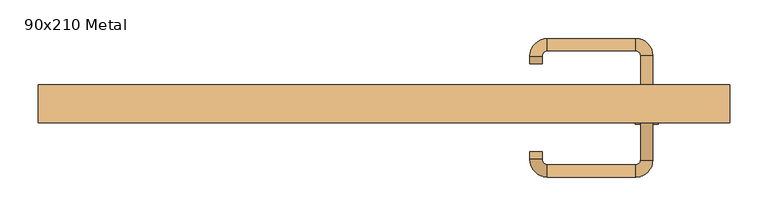
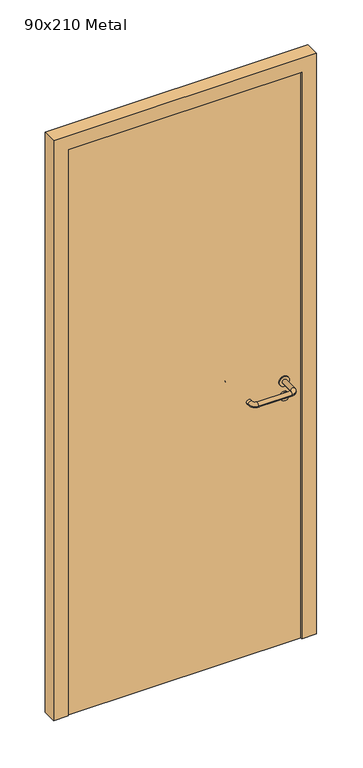
"""IFC4 building model written with IfcOpenShell, lengths in millimetres: door geometry, 90x210 Metal."""

from ifc_helpers import new_model, si_unit, point, frame, frame_2d, origin, origin_with_axes, place, context, project, spatial, polyline, circle_curve, ellipse_curve, trimmed, segment, composite_curve, outline, extrude, source, transform, mapped, element, save
from ifc_brep_helpers import plane_surface, cylinder_surface, revolved_surface, advanced_brep


def door_90x210_metal_8e73bc30(model_context):
    return source(origin(), model_context, "Body", "SolidModel", [
        extrude(outline(composite_curve([segment(trimmed(circle_curve(frame_2d((897.3605726, 342.0)), 15.0), [point((897.3605726, 357.0))], [point((897.3605726, 327.0))], False, "CARTESIAN"), True, "CONTINUOUS"), segment(trimmed(circle_curve(frame_2d((897.3605726, 342.0)), 15.0), [point((897.3605726, 327.0))], [point((897.3605726, 357.0))], False, "CARTESIAN"), True, "CONTINUOUS")], self_intersect=False), holes=[composite_curve([segment(trimmed(circle_curve(frame_2d((892.5833211, 341.9398032)), 2.0), [point((892.5833211, 343.9398032))], [point((892.5833211, 339.9398032))], True, "CARTESIAN"), True, "CONTINUOUS"), segment(polyline([(892.5833211, 339.9398032), (902.5833211, 339.9398032)]), True, "CONTINUOUS"), segment(trimmed(circle_curve(frame_2d((902.5833211, 341.9398032)), 2.0), [point((902.5833211, 339.9398032))], [point((902.5833211, 343.9398032))], True, "CARTESIAN"), True, "CONTINUOUS"), segment(polyline([(902.5833211, 343.9398032), (892.5833211, 343.9398032)]), True, "CONTINUOUS")], self_intersect=False)]), frame((0.0, -10.0, 0.0), z_axis=(0.0, 1.0, 0.0), x_axis=(0.0, 0.0, 1.0)), (0.0, 0.0, 1.0), 6.35),
        extrude(outline(composite_curve([segment(trimmed(circle_curve(frame_2d((950.0, 342.0)), 17.526), [point((950.0, 359.526))], [point((950.0, 324.474))], False, "CARTESIAN"), True, "CONTINUOUS"), segment(trimmed(circle_curve(frame_2d((950.0, 342.0)), 17.526), [point((950.0, 324.474))], [point((950.0, 359.526))], False, "CARTESIAN"), True, "CONTINUOUS")], self_intersect=False)), frame((0.0, -10.0, 0.0), z_axis=(0.0, 1.0, 0.0), x_axis=(0.0, 0.0, 1.0)), (0.0, 0.0, 1.0), 3.175),
        advanced_brep(
        [(350.0, -10.0, 950.0), (334.0, -10.0, 950.0), (350.0, 43.0, 950.0), (334.0, 43.0, 950.0), (327.8578644, 49.1421356, 950.0), (327.8578644, 65.1421356, 950.0), (212.8578644, 65.1421356, 950.0), (212.8578644, 49.1421356, 950.0), (206.008622, 42.2928932, 950.0), (190.008622, 42.2928932, 950.0), (190.008622, 32.2928932, 950.0), (206.008622, 32.2928932, 950.0)],
        [
            (0, 1, circle_curve(frame((342.0, -10.0, 950.0), z_axis=(0.0, -1.0, 0.0), x_axis=(-1.0, 0.0, 0.0)), 8.0)),
            (1, 0, circle_curve(frame((342.0, -10.0, 950.0), z_axis=(0.0, -1.0, 0.0), x_axis=(-1.0, 0.0, 0.0)), 8.0)),
            (0, 2),
            (2, 3, circle_curve(frame((342.0, 43.0, 950.0), z_axis=(0.0, -1.0, 0.0), x_axis=(-1.0, 0.0, 0.0)), 8.0)),
            (3, 1),
            (3, 2, circle_curve(frame((342.0, 43.0, 950.0), z_axis=(0.0, -1.0, 0.0), x_axis=(-1.0, 0.0, 0.0)), 8.0)),
            (4, 3, circle_curve(frame((327.8578644, 43.0, 950.0), z_axis=(0.0, 0.0, -1.0), x_axis=(1.0, 0.0, 0.0)), 6.1421356)),
            (2, 5, circle_curve(frame((327.8578644, 43.0, 950.0), z_axis=(0.0, 0.0, 1.0), x_axis=(1.0, 0.0, 0.0)), 22.1421356)),
            (5, 4, circle_curve(frame((327.8578644, 57.1421356, 950.0), z_axis=(1.0, 0.0, 0.0), x_axis=(0.0, -1.0, 0.0)), 8.0)),
            (4, 5, circle_curve(frame((327.8578644, 57.1421356, 950.0), z_axis=(1.0, 0.0, 0.0), x_axis=(0.0, -1.0, 0.0)), 8.0)),
            (5, 6),
            (6, 7, circle_curve(frame((212.8578644, 57.1421356, 950.0), z_axis=(1.0, 0.0, 0.0), x_axis=(0.0, -1.0, 0.0)), 8.0)),
            (7, 4),
            (7, 6, circle_curve(frame((212.8578644, 57.1421356, 950.0), z_axis=(1.0, 0.0, 0.0), x_axis=(0.0, -1.0, 0.0)), 8.0)),
            (8, 7, circle_curve(frame((212.8578644, 42.2928932, 950.0), z_axis=(0.0, 0.0, -1.0), x_axis=(0.0, 1.0, 0.0)), 6.8492424)),
            (6, 9, circle_curve(frame((212.8578644, 42.2928932, 950.0), z_axis=(0.0, 0.0, 1.0), x_axis=(0.0, 1.0, 0.0)), 22.8492424)),
            (9, 8, circle_curve(frame((198.008622, 42.2928932, 950.0), z_axis=(0.0, 1.0, 0.0), x_axis=(1.0, 0.0, 0.0)), 8.0)),
            (8, 9, circle_curve(frame((198.008622, 42.2928932, 950.0), z_axis=(0.0, 1.0, 0.0), x_axis=(1.0, 0.0, 0.0)), 8.0)),
            (10, 11, circle_curve(frame((198.008622, 32.2928932, 950.0), z_axis=(0.0, -1.0, 0.0), x_axis=(1.0, 0.0, 0.0)), 8.0)),
            (11, 10, circle_curve(frame((198.008622, 32.2928932, 950.0), z_axis=(0.0, -1.0, 0.0), x_axis=(1.0, 0.0, 0.0)), 8.0)),
            (9, 10),
            (11, 8),
        ],
        [
            plane_surface(frame((342.0, -10.0, 170.0), z_axis=(0.0, -1.0, 0.0), x_axis=(0.0, 0.0, 1.0))),
            cylinder_surface(frame((342.0, -10.0, 950.0), z_axis=(0.0, -1.0, 0.0), x_axis=(-1.0, 0.0, 0.0)), 8.0),
            revolved_surface(trimmed(ellipse_curve(frame((342.0, 43.0, 950.0), z_axis=(0.0, -1.0, 0.0), x_axis=(-1.0, 0.0, 0.0)), 8.0, 8.0), [point((350.0, 43.0, 950.0))], [point((334.0, 43.0, 950.0))], True, "CARTESIAN"), (327.8578644, 43.0, 170.0), (0.0, 0.0, 1.0)),
            revolved_surface(trimmed(ellipse_curve(frame((342.0, 43.0, 950.0), z_axis=(0.0, -1.0, 0.0), x_axis=(-1.0, 0.0, 0.0)), 8.0, 8.0), [point((334.0, 43.0, 950.0))], [point((350.0, 43.0, 950.0))], True, "CARTESIAN"), (327.8578644, 43.0, 170.0), (0.0, 0.0, 1.0)),
            cylinder_surface(frame((327.8578644, 57.1421356, 950.0), z_axis=(1.0, 0.0, 0.0), x_axis=(0.0, -1.0, 0.0)), 8.0),
            revolved_surface(trimmed(ellipse_curve(frame((212.8578644, 57.1421356, 950.0), z_axis=(1.0, 0.0, 0.0), x_axis=(0.0, -1.0, 0.0)), 8.0, 8.0), [point((212.8578644, 65.1421356, 950.0))], [point((212.8578644, 49.1421356, 950.0))], True, "CARTESIAN"), (212.8578644, 42.2928932, 170.0), (0.0, 0.0, 1.0)),
            revolved_surface(trimmed(ellipse_curve(frame((212.8578644, 57.1421356, 950.0), z_axis=(1.0, 0.0, 0.0), x_axis=(0.0, -1.0, 0.0)), 8.0, 8.0), [point((212.8578644, 49.1421356, 950.0))], [point((212.8578644, 65.1421356, 950.0))], True, "CARTESIAN"), (212.8578644, 42.2928932, 170.0), (0.0, 0.0, 1.0)),
            plane_surface(frame((198.008622, 32.2928932, 170.0), z_axis=(0.0, -1.0, 0.0), x_axis=(0.0, 0.0, 1.0))),
            cylinder_surface(frame((198.008622, 42.2928932, 950.0), z_axis=(0.0, 1.0, 0.0), x_axis=(1.0, 0.0, 0.0)), 8.0),
        ],
        [
            (0, [[1, 2]]),
            (1, [[-1, 3, 4, 5]]),
            (1, [[-2, -5, 6, -3]]),
            (2, [[7, -4, 8, 9]]),
            (3, [[-8, -6, -7, 10]]),
            (4, [[-9, 11, 12, 13]]),
            (4, [[-10, -13, 14, -11]]),
            (5, [[15, -12, 16, 17]]),
            (6, [[-16, -14, -15, 18]]),
            (7, [[19, 20]]),
            (8, [[-17, 21, -20, 22]]),
            (8, [[-18, -22, -19, -21]]),
        ],
    ),
        extrude(outline(composite_curve([segment(trimmed(circle_curve(frame_2d((0.0, 15.0)), 15.0), [point((0.0, 30.0))], [point((0.0, 0.0))], False, "CARTESIAN"), True, "CONTINUOUS"), segment(trimmed(circle_curve(frame_2d((0.0, 15.0)), 15.0), [point((0.0, 0.0))], [point((0.0, 30.0))], False, "CARTESIAN"), True, "CONTINUOUS")], self_intersect=False), holes=[composite_curve([segment(trimmed(circle_curve(frame_2d((-4.7772515, 14.9398032)), 2.0), [point((-4.7772515, 16.9398032))], [point((-4.7772515, 12.9398032))], True, "CARTESIAN"), True, "CONTINUOUS"), segment(polyline([(-4.7772515, 12.9398032), (5.2227485, 12.9398032)]), True, "CONTINUOUS"), segment(trimmed(circle_curve(frame_2d((5.2227485, 14.9398032)), 2.0), [point((5.2227485, 12.9398032))], [point((5.2227485, 16.9398032))], True, "CARTESIAN"), True, "CONTINUOUS"), segment(polyline([(5.2227485, 16.9398032), (-4.7772515, 16.9398032)]), True, "CONTINUOUS")], self_intersect=False)]), frame((327.0, -46.35, 897.3605726), z_axis=(-1.8870575173328306e-12, 1.0, 0.0), x_axis=(0.0, 0.0, 1.0)), (0.0, 0.0, 1.0), 6.35),
        extrude(outline(composite_curve([segment(trimmed(circle_curve(frame_2d((0.0, 17.526)), 17.526), [point((0.0, 35.052))], [point((0.0, 0.0))], False, "CARTESIAN"), True, "CONTINUOUS"), segment(trimmed(circle_curve(frame_2d((0.0, 17.526)), 17.526), [point((0.0, 0.0))], [point((0.0, 35.052))], False, "CARTESIAN"), True, "CONTINUOUS")], self_intersect=False)), frame((324.474, -43.175, 950.0), z_axis=(-1.8870575173328306e-12, 1.0, 0.0), x_axis=(0.0, 0.0, 1.0)), (0.0, 0.0, 1.0), 3.175),
        advanced_brep(
        [(350.0, -40.0, 950.0), (334.0, -40.0, 950.0), (334.0, -93.0, 950.0), (350.0, -93.0, 950.0), (327.8578644, -99.1421356, 950.0), (327.8578644, -115.1421356, 950.0), (212.8578644, -99.1421356, 950.0), (212.8578644, -115.1421356, 950.0), (206.008622, -92.2928932, 950.0), (190.008622, -92.2928932, 950.0), (190.008622, -82.2928932, 950.0), (206.008622, -82.2928932, 950.0)],
        [
            (0, 1, circle_curve(frame((342.0, -40.0, 950.0), z_axis=(-1.888672253512351e-12, 1.0, 0.0), x_axis=(-1.0, -1.888672253512351e-12, 0.0)), 8.0)),
            (1, 0, circle_curve(frame((342.0, -40.0, 950.0), z_axis=(-1.888672253512351e-12, 1.0, 0.0), x_axis=(-1.0, -1.888672253512351e-12, 0.0)), 8.0)),
            (1, 2),
            (2, 3, circle_curve(frame((342.0, -93.0, 950.0), z_axis=(-1.888672253512351e-12, 1.0, 0.0), x_axis=(-1.0, -1.888672253512351e-12, 0.0)), 8.0)),
            (3, 0),
            (3, 2, circle_curve(frame((342.0, -93.0, 950.0), z_axis=(-1.888672253512351e-12, 1.0, 0.0), x_axis=(-1.0, -1.888672253512351e-12, 0.0)), 8.0)),
            (4, 5, circle_curve(frame((327.8578644, -107.1421356, 950.0), z_axis=(1.0, 1.913702061528922e-12, 0.0), x_axis=(-1.913702061528922e-12, 1.0, 0.0)), 8.0)),
            (5, 3, circle_curve(frame((327.8578644, -93.0, 950.0), z_axis=(0.0, 0.0, 1.0), x_axis=(1.0, 1.880717803715015e-12, 0.0)), 22.1421356)),
            (2, 4, circle_curve(frame((327.8578644, -93.0, 950.0), z_axis=(0.0, 0.0, -1.0), x_axis=(1.0, 1.880717803715015e-12, 0.0)), 6.1421356)),
            (5, 4, circle_curve(frame((327.8578644, -107.1421356, 950.0), z_axis=(1.0, 1.913702061528922e-12, 0.0), x_axis=(-1.913702061528922e-12, 1.0, 0.0)), 8.0)),
            (4, 6),
            (6, 7, circle_curve(frame((212.8578644, -107.1421356, 950.0), z_axis=(1.0, 1.913719828541269e-12, 0.0), x_axis=(-1.913719828541269e-12, 1.0, 0.0)), 8.0)),
            (7, 5),
            (7, 6, circle_curve(frame((212.8578644, -107.1421356, 950.0), z_axis=(1.0, 1.913719828541269e-12, 0.0), x_axis=(-1.913719828541269e-12, 1.0, 0.0)), 8.0)),
            (8, 9, circle_curve(frame((198.008622, -92.2928932, 950.0), z_axis=(1.890226565746826e-12, -1.0, 0.0), x_axis=(1.0, 1.890226565746826e-12, 0.0)), 8.0)),
            (9, 7, circle_curve(frame((212.8578644, -92.2928932, 950.0), z_axis=(0.0, 0.0, 1.0), x_axis=(1.9120873253494017e-12, -1.0, 0.0)), 22.8492424)),
            (6, 8, circle_curve(frame((212.8578644, -92.2928932, 950.0), z_axis=(0.0, 0.0, -1.0), x_axis=(1.9120873253494017e-12, -1.0, 0.0)), 6.8492424)),
            (9, 8, circle_curve(frame((198.008622, -92.2928932, 950.0), z_axis=(1.890670654956676e-12, -1.0, 0.0), x_axis=(1.0, 1.890670654956676e-12, 0.0)), 8.0)),
            (10, 11, circle_curve(frame((198.008622, -82.2928932, 950.0), z_axis=(-1.8903642334018795e-12, 1.0, 0.0), x_axis=(1.0, 1.8903642334018795e-12, 0.0)), 8.0)),
            (11, 10, circle_curve(frame((198.008622, -82.2928932, 950.0), z_axis=(-1.8903642334018795e-12, 1.0, 0.0), x_axis=(1.0, 1.8903642334018795e-12, 0.0)), 8.0)),
            (8, 11),
            (10, 9),
        ],
        [
            plane_surface(frame((342.0, -40.0, 170.0), z_axis=(-1.8870575173328306e-12, 1.0, 0.0), x_axis=(0.0, 0.0, 1.0))),
            cylinder_surface(frame((342.0, -40.0, 950.0), z_axis=(-1.888672253512351e-12, 1.0, 0.0), x_axis=(-1.0, -1.888672253512351e-12, 0.0)), 8.0),
            revolved_surface(trimmed(ellipse_curve(frame((342.0, -93.0, 950.0), z_axis=(1.8823325398945356e-12, -1.0, 0.0), x_axis=(-1.0, -1.8823325398945356e-12, 0.0)), 8.0, 8.0), [point((350.0, -93.0, 950.0))], [point((334.0, -93.0, 950.0))], True, "CARTESIAN"), (327.8578644, -93.0, 170.0), (0.0, 0.0, 1.0)),
            revolved_surface(trimmed(ellipse_curve(frame((342.0, -93.0, 950.0), z_axis=(1.8823325398945356e-12, -1.0, 0.0), x_axis=(-1.0, -1.8823325398945356e-12, 0.0)), 8.0, 8.0), [point((334.0, -93.0, 950.0))], [point((350.0, -93.0, 950.0))], True, "CARTESIAN"), (327.8578644, -93.0, 170.0), (0.0, 0.0, 1.0)),
            cylinder_surface(frame((327.8578644, -107.1421356, 950.0), z_axis=(1.0, 1.913719828541269e-12, 0.0), x_axis=(-1.913719828541269e-12, 1.0, 0.0)), 8.0),
            revolved_surface(trimmed(ellipse_curve(frame((212.8578644, -107.1421356, 950.0), z_axis=(-1.0, -1.913702061528922e-12, 0.0), x_axis=(-1.913702061528922e-12, 1.0, 0.0)), 8.0, 8.0), [point((212.8578644, -115.1421356, 950.0))], [point((212.8578644, -99.1421356, 950.0))], True, "CARTESIAN"), (212.8578644, -92.2928932, 170.0), (0.0, 0.0, 1.0)),
            revolved_surface(trimmed(ellipse_curve(frame((212.8578644, -107.1421356, 950.0), z_axis=(-1.0, -1.913702061528922e-12, 0.0), x_axis=(-1.913702061528922e-12, 1.0, 0.0)), 8.0, 8.0), [point((212.8578644, -99.1421356, 950.0))], [point((212.8578644, -115.1421356, 950.0))], True, "CARTESIAN"), (212.8578644, -92.2928932, 170.0), (0.0, 0.0, 1.0)),
            plane_surface(frame((198.008622, -82.2928932, 170.0), z_axis=(-1.8887494972223595e-12, 1.0, 0.0), x_axis=(0.0, 0.0, 1.0))),
            cylinder_surface(frame((198.008622, -92.2928932, 950.0), z_axis=(1.8903642334018795e-12, -1.0, 0.0), x_axis=(1.0, 1.8903642334018795e-12, 0.0)), 8.0),
        ],
        [
            (0, [[1, 2]]),
            (1, [[3, 4, 5, -2]]),
            (1, [[-5, 6, -3, -1]]),
            (2, [[7, 8, -4, 9]]),
            (3, [[10, -9, -6, -8]]),
            (4, [[11, 12, 13, -7]]),
            (4, [[-13, 14, -11, -10]]),
            (5, [[15, 16, -12, 17]]),
            (6, [[18, -17, -14, -16]]),
            (7, [[19, 20]]),
            (8, [[21, -19, 22, -15]]),
            (8, [[-22, -20, -21, -18]]),
        ],
    ),
        extrude(outline(polyline([(2050.0, 400.0), (0.0, 400.0), (0.0, 450.0), (2100.0, 450.0), (2100.0, -450.0), (0.0, -450.0), (0.0, -400.0), (2050.0, -400.0), (2050.0, 400.0)])), frame((0.0, -45.0, 0.0), z_axis=(0.0, 1.0, 0.0), x_axis=(0.0, 0.0, 1.0)), (0.0, 0.0, 1.0), 50.0),
        extrude(outline(polyline([(-400.0, -40.0), (-400.0, -10.0), (400.0, -10.0), (400.0, -40.0), (-400.0, -40.0)])), origin_with_axes(), (0.0, 0.0, 1.0), 2050.0),
    ])


if __name__ == "__main__":
    model = new_model("IFC4")
    model_context = context("Model", 3, world=origin())
    ifc_project = project(units=[si_unit("LENGTHUNIT", "METRE", prefix="MILLI")], contexts=[model_context])
    site = spatial("IfcSite", under=ifc_project)
    building = spatial("IfcBuilding", under=site)
    placement = place(None, origin())
    door_90x210_metal_shape = door_90x210_metal_8e73bc30(model_context)
    element("IfcDoor", 1, ObjectType="90x210 Metal", at=placement, inside=building, context=model_context, shape_type="MappedRepresentation", body=[
        mapped(door_90x210_metal_shape, transform((0.0, 0.0, 0.0), x_axis=(1.0, 0.0, 0.0), y_axis=(0.0, 1.0, 0.0), z_axis=(0.0, 0.0, 1.0))),
    ])
    save(model, "model.ifc")
